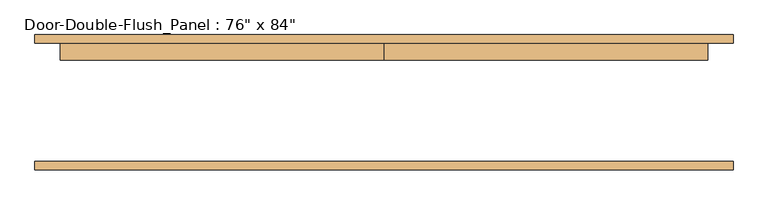
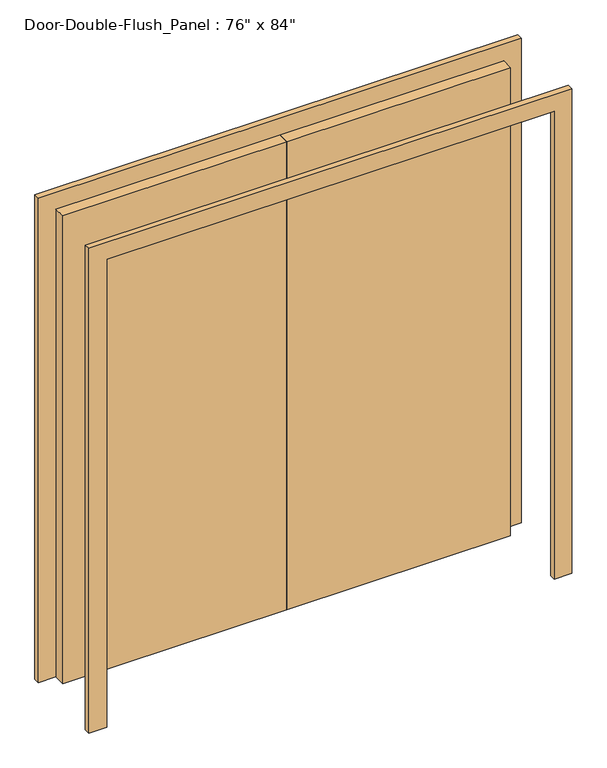
"""IFC4 building model written with IfcOpenShell, lengths in millimetres: door geometry."""

from ifc_helpers import new_model, si_unit, frame, origin, origin_with_axes, place, context, project, spatial, polyline, outline, extrude, source, transform, mapped, element, save


def door_7c24093d(model_context):
    return source(origin(), model_context, "Body", "SweptSolid", [
        extrude(outline(polyline([(2133.6, -965.2), (2133.6, 965.2), (0.0, 965.2), (0.0, 1041.4), (2209.8, 1041.4), (2209.8, -1041.4), (0.0, -1041.4), (0.0, -965.2), (2133.6, -965.2)])), frame((0.0, -201.6125, 0.0), z_axis=(0.0, 1.0, 0.0), x_axis=(0.0, 0.0, 1.0)), (0.0, 0.0, 1.0), 25.4),
        extrude(outline(polyline([(2133.6, -965.2), (2133.6, 965.2), (0.0, 965.2), (0.0, 1041.4), (2209.8, 1041.4), (2209.8, -1041.4), (0.0, -1041.4), (0.0, -965.2), (2133.6, -965.2)])), frame((0.0, 176.2125, 0.0), z_axis=(0.0, 1.0, 0.0), x_axis=(0.0, 0.0, 1.0)), (0.0, 0.0, 1.0), 25.4),
        extrude(outline(polyline([(0.0, 176.2125), (965.2, 176.2125), (965.2, 125.4125), (0.0, 125.4125), (0.0, 176.2125)])), origin_with_axes(), (0.0, 0.0, 1.0), 2133.6),
        extrude(outline(polyline([(-965.2, 176.2125), (0.0, 176.2125), (0.0, 125.4125), (-965.2, 125.4125), (-965.2, 176.2125)])), origin_with_axes(), (0.0, 0.0, 1.0), 2133.6),
    ])


if __name__ == "__main__":
    model = new_model("IFC4")
    model_context = context("Model", 3, world=origin())
    ifc_project = project(units=[si_unit("LENGTHUNIT", "METRE", prefix="MILLI")], contexts=[model_context])
    site = spatial("IfcSite", under=ifc_project)
    building = spatial("IfcBuilding", under=site)
    placement = place(None, origin())
    door_shape = door_7c24093d(model_context)
    element("IfcDoor", 1, ObjectType="Door-Double-Flush_Panel : 76\" x 84\"", at=placement, inside=building, context=model_context, shape_type="MappedRepresentation", body=[
        mapped(door_shape, transform((0.0, 0.0, 0.0), x_axis=(1.0, 0.0, 0.0), y_axis=(0.0, 1.0, 0.0), z_axis=(0.0, 0.0, 1.0))),
    ])
    save(model, "model.ifc")
